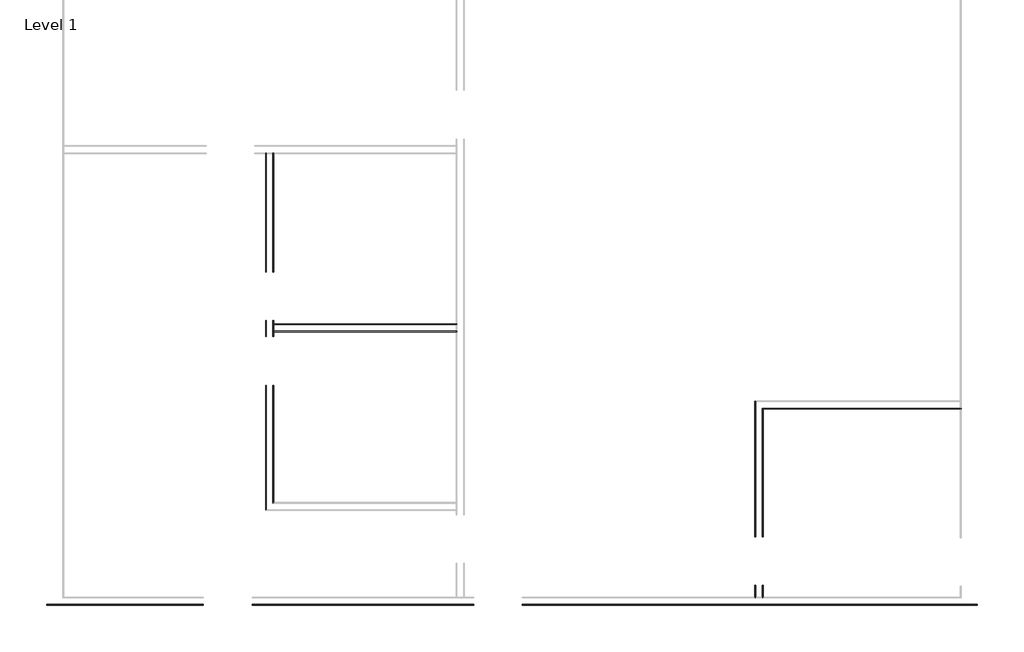
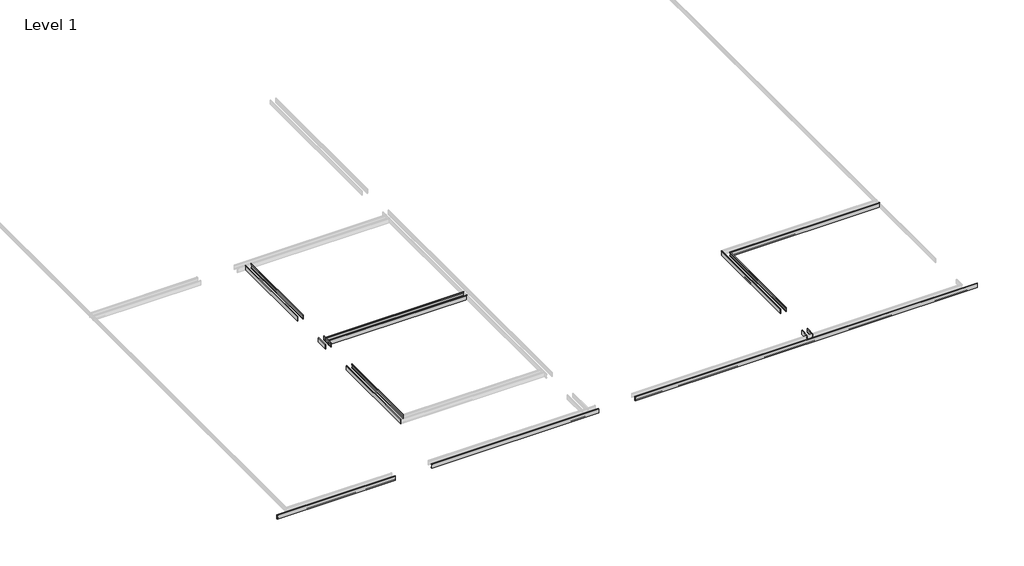
# One storey, part 32 of 51: 8 proxies.
"""IFC4 building model written with IfcOpenShell, lengths in millimetres."""

from ifc_helpers import new_model, si_unit, point, frame, frame_2d, origin, place, context, project, spatial, polyline, circle_curve, ellipse_curve, trimmed, segment, composite_curve, outline, extrude, element, save
from ifc_brep_helpers import plane_surface, cylinder_surface, advanced_brep

model = new_model("IFC4")

# Units and contexts
model_context = context("Model", 3, world=origin())
ifc_project = project(units=[si_unit("LENGTHUNIT", "METRE", prefix="MILLI")], contexts=[model_context])

# Site, building, storey
site = spatial("IfcSite", under=ifc_project)
building = spatial("IfcBuilding", under=site)
storey = spatial("IfcBuildingStorey", under=building, Name="Level 1", Elevation=0.0)

# Proxies
placement = place(None, origin())
element("IfcBuildingElementProxy", 1, Name="Wall Sweeps", at=placement, inside=storey, context=model_context, shape_type="SweptSolid", body=[
    extrude(outline(composite_curve([segment(polyline([(-17721.8801669, 22.1801656), (-17721.8801669, 0.0), (-17736.1676669, 0.0), (-17736.1676669, 104.775)]), True, "CONTINUOUS"), segment(trimmed(circle_curve(frame_2d((-17732.9926669, 104.775)), 3.175), [point((-17736.1676669, 104.775))], [point((-17732.9926669, 107.95))], False, "CARTESIAN"), True, "CONTINUOUS"), segment(polyline([(-17732.9926669, 107.95), (-17721.8801669, 107.95), (-17721.8801669, 87.5505545), (-17725.2698704, 85.828144), (-17725.2698704, 23.915644), (-17721.8801669, 22.1801656)]), True, "CONTINUOUS")], self_intersect=False)), frame((17299.465984, 0.0, 0.0), z_axis=(1.0, 0.0, 0.0), x_axis=(0.0, 1.0, 0.0)), (0.0, 0.0, 1.0), 3457.575),
])
element("IfcBuildingElementProxy", 2, Name="Wall Sweeps", at=placement, inside=storey, context=model_context, shape_type="AdvancedBrep", body=[
    advanced_brep(
    [(17175.640984, -16605.8676669, 22.1801656), (17172.2512805, -16605.8676669, 23.915644), (17172.2512805, -16605.8676669, 85.828144), (17175.640984, -16605.8676669, 87.5505545), (17175.640984, -16605.8676669, 107.95), (17164.528484, -16605.8676669, 107.95), (17161.353484, -16605.8676669, 104.775), (17161.353484, -16605.8676669, 0.0), (17175.640984, -16605.8676669, 0.0), (17175.640984, -14369.0801669, 22.1801656), (17175.640984, -14369.0801669, 0.0), (17161.353484, -14369.0801669, 0.0), (17161.353484, -14369.0801669, 104.775), (17164.528484, -14369.0801669, 107.95), (17175.640984, -14369.0801669, 107.95), (17175.640984, -14369.0801669, 87.5505545), (17172.2512805, -14369.0801669, 85.828144), (17172.2512805, -14369.0801669, 23.915644)],
    [
        (0, 1),
        (1, 2),
        (2, 3),
        (3, 4),
        (4, 5),
        (5, 6, circle_curve(frame((17164.528484, -16605.8676669, 104.775), z_axis=(0.0, -1.0, 0.0), x_axis=(-1.0, 0.0, 0.0)), 3.175)),
        (6, 7),
        (7, 8),
        (8, 0),
        (9, 10),
        (10, 11),
        (11, 12),
        (12, 13, circle_curve(frame((17164.528484, -14369.0801669, 104.775), z_axis=(0.0, 1.0, 0.0), x_axis=(-1.0, 0.0, 0.0)), 3.175)),
        (13, 14),
        (14, 15),
        (15, 16),
        (16, 17),
        (17, 9),
        (0, 9),
        (17, 1),
        (16, 2),
        (15, 3),
        (14, 4),
        (13, 5),
        (12, 6),
        (11, 7),
        (10, 8),
    ],
    [
        plane_surface(frame((17067.1205244, -16605.8676669, 0.0), z_axis=(0.0, -1.0, 0.0), x_axis=(0.0, 0.0, 1.0))),
        plane_surface(frame((17067.1205244, -14369.0801669, 0.0), z_axis=(0.0, 1.0, 0.0), x_axis=(0.0, 0.0, 1.0))),
        plane_surface(frame((17175.640984, -16605.8676669, 22.1801656), z_axis=(0.4557279043188856, 0.0, 0.8901191365346083), x_axis=(0.0, 1.0, 0.0))),
        plane_surface(frame((17172.2512805, -16605.8676669, 23.915644), z_axis=(1.0, 0.0, 0.0), x_axis=(0.0, 1.0, 0.0))),
        plane_surface(frame((17172.2512805, -16605.8676669, 85.828144), z_axis=(0.4530026868357818, 0.0, -0.8915091506650745), x_axis=(0.0, 1.0, 0.0))),
        plane_surface(frame((17175.640984, -16605.8676669, 87.5505545), z_axis=(1.0, 0.0, 0.0), x_axis=(0.0, 1.0, 0.0))),
        plane_surface(frame((17175.640984, -16605.8676669, 107.95), z_axis=(0.0, 0.0, 1.0), x_axis=(0.0, 1.0, 0.0))),
        cylinder_surface(frame((17164.528484, -16605.8676669, 104.775), z_axis=(0.0, -1.0, 0.0), x_axis=(-1.0, 0.0, 0.0)), 3.175),
        plane_surface(frame((17161.353484, -16605.8676669, 104.775), z_axis=(-1.0, 0.0, 0.0), x_axis=(0.0, 1.0, 0.0))),
        plane_surface(frame((17161.353484, -16605.8676669, 0.0), z_axis=(0.0, 0.0, -1.0), x_axis=(0.0, 1.0, 0.0))),
        plane_surface(frame((17175.640984, -16605.8676669, 0.0), z_axis=(1.0, 0.0, 0.0), x_axis=(0.0, 1.0, 0.0))),
    ],
    [
        (0, [[1, 2, 3, 4, 5, 6, 7, 8, 9]]),
        (1, [[10, 11, 12, 13, 14, 15, 16, 17, 18]]),
        (2, [[-1, 19, -18, 20]]),
        (3, [[-2, -20, -17, 21]]),
        (4, [[-3, -21, -16, 22]]),
        (5, [[-4, -22, -15, 23]]),
        (6, [[-5, -23, -14, 24]]),
        (7, [[-6, -24, -13, 25]]),
        (8, [[-7, -25, -12, 26]]),
        (9, [[-8, -26, -11, 27]]),
        (10, [[-9, -27, -10, -19]]),
    ],
),
    advanced_brep(
    [(17175.640984, -17825.0676669, 22.1801656), (17172.2512805, -17825.0676669, 23.915644), (17172.2512805, -17825.0676669, 85.828144), (17175.640984, -17825.0676669, 87.5505545), (17175.640984, -17825.0676669, 107.95), (17164.528484, -17825.0676669, 107.95), (17161.353484, -17825.0676669, 104.775), (17161.353484, -17825.0676669, 0.0), (17175.640984, -17825.0676669, 0.0), (17175.640984, -17520.2676669, 22.1801656), (17175.640984, -17520.2676669, 0.0), (17161.353484, -17520.2676669, 0.0), (17161.353484, -17520.2676669, 104.775), (17164.528484, -17520.2676669, 107.95), (17175.640984, -17520.2676669, 107.95), (17175.640984, -17520.2676669, 87.5505545), (17172.2512805, -17520.2676669, 85.828144), (17172.2512805, -17520.2676669, 23.915644)],
    [
        (0, 1),
        (1, 2),
        (2, 3),
        (3, 4),
        (4, 5),
        (5, 6, circle_curve(frame((17164.528484, -17825.0676669, 104.775), z_axis=(0.0, -1.0, 0.0), x_axis=(-1.0, 0.0, 0.0)), 3.175)),
        (6, 7),
        (7, 8),
        (8, 0),
        (9, 10),
        (10, 11),
        (11, 12),
        (12, 13, circle_curve(frame((17164.528484, -17520.2676669, 104.775), z_axis=(0.0, 1.0, 0.0), x_axis=(-1.0, 0.0, 0.0)), 3.175)),
        (13, 14),
        (14, 15),
        (15, 16),
        (16, 17),
        (17, 9),
        (0, 9),
        (17, 1),
        (16, 2),
        (15, 3),
        (14, 4),
        (13, 5),
        (12, 6),
        (11, 7),
        (10, 8),
    ],
    [
        plane_surface(frame((17067.1205244, -17825.0676669, 0.0), z_axis=(0.0, -1.0, 0.0), x_axis=(0.0, 0.0, 1.0))),
        plane_surface(frame((17067.1205244, -17520.2676669, 0.0), z_axis=(0.0, 1.0, 0.0), x_axis=(0.0, 0.0, 1.0))),
        plane_surface(frame((17175.640984, -17825.0676669, 22.1801656), z_axis=(0.4557279043188856, 0.0, 0.8901191365346083), x_axis=(0.0, 1.0, 0.0))),
        plane_surface(frame((17172.2512805, -17825.0676669, 23.915644), z_axis=(1.0, 0.0, 0.0), x_axis=(0.0, 1.0, 0.0))),
        plane_surface(frame((17172.2512805, -17825.0676669, 85.828144), z_axis=(0.4530026868357818, 0.0, -0.8915091506650745), x_axis=(0.0, 1.0, 0.0))),
        plane_surface(frame((17175.640984, -17825.0676669, 87.5505545), z_axis=(1.0, 0.0, 0.0), x_axis=(0.0, 1.0, 0.0))),
        plane_surface(frame((17175.640984, -17825.0676669, 107.95), z_axis=(0.0, 0.0, 1.0), x_axis=(0.0, 1.0, 0.0))),
        cylinder_surface(frame((17164.528484, -17825.0676669, 104.775), z_axis=(0.0, -1.0, 0.0), x_axis=(-1.0, 0.0, 0.0)), 3.175),
        plane_surface(frame((17161.353484, -17825.0676669, 104.775), z_axis=(-1.0, 0.0, 0.0), x_axis=(0.0, 1.0, 0.0))),
        plane_surface(frame((17161.353484, -17825.0676669, 0.0), z_axis=(0.0, 0.0, -1.0), x_axis=(0.0, 1.0, 0.0))),
        plane_surface(frame((17175.640984, -17825.0676669, 0.0), z_axis=(1.0, 0.0, 0.0), x_axis=(0.0, 1.0, 0.0))),
    ],
    [
        (0, [[1, 2, 3, 4, 5, 6, 7, 8, 9]]),
        (1, [[10, 11, 12, 13, 14, 15, 16, 17, 18]]),
        (2, [[-1, 19, -18, 20]]),
        (3, [[-2, -20, -17, 21]]),
        (4, [[-3, -21, -16, 22]]),
        (5, [[-4, -22, -15, 23]]),
        (6, [[-5, -23, -14, 24]]),
        (7, [[-6, -24, -13, 25]]),
        (8, [[-7, -25, -12, 26]]),
        (9, [[-8, -26, -11, 27]]),
        (10, [[-9, -27, -10, -19]]),
    ],
),
    advanced_brep(
    [(17175.640984, -21079.4426669, 22.1801656), (17172.2512805, -21082.8323704, 23.915644), (17172.2512805, -21082.8323704, 85.828144), (17175.640984, -21079.4426669, 87.5505545), (17175.640984, -21079.4426669, 107.95), (17164.528484, -21090.5551669, 107.95), (17161.353484, -21093.7301669, 104.775), (17161.353484, -21093.7301669, 0.0), (17175.640984, -21079.4426669, 0.0), (17175.640984, -18739.4676669, 22.1801656), (17175.640984, -18739.4676669, 0.0), (17161.353484, -18739.4676669, 0.0), (17161.353484, -18739.4676669, 104.775), (17164.528484, -18739.4676669, 107.95), (17175.640984, -18739.4676669, 107.95), (17175.640984, -18739.4676669, 87.5505545), (17172.2512805, -18739.4676669, 85.828144), (17172.2512805, -18739.4676669, 23.915644)],
    [
        (0, 1),
        (1, 2),
        (2, 3),
        (3, 4),
        (4, 5),
        (5, 6, ellipse_curve(frame((17164.528484, -21090.5551669, 104.775), z_axis=(0.7071067811865511, -0.707106781186544, 0.0), x_axis=(-0.7071067811865441, -0.7071067811865509, 0.0)), 4.4901281, 3.175)),
        (6, 7),
        (7, 8),
        (8, 0),
        (9, 10),
        (10, 11),
        (11, 12),
        (12, 13, circle_curve(frame((17164.528484, -18739.4676669, 104.775), z_axis=(0.0, 1.0, 0.0), x_axis=(-1.0, 0.0, 0.0)), 3.175)),
        (13, 14),
        (14, 15),
        (15, 16),
        (16, 17),
        (17, 9),
        (0, 9),
        (17, 1),
        (16, 2),
        (15, 3),
        (14, 4),
        (13, 5),
        (12, 6),
        (11, 7),
        (10, 8),
    ],
    [
        plane_surface(frame((17175.640984, -21079.4426669, 304.8), z_axis=(0.7071067811865511, -0.707106781186544, 0.0), x_axis=(0.707106781186544, 0.7071067811865511, 0.0))),
        plane_surface(frame((17067.1205244, -18739.4676669, 0.0), z_axis=(0.0, 1.0, 0.0), x_axis=(0.0, 0.0, 1.0))),
        plane_surface(frame((17175.640984, -21079.4426669, 22.1801656), z_axis=(0.4557279043188856, 0.0, 0.8901191365346083), x_axis=(0.0, 1.0, 0.0))),
        plane_surface(frame((17172.2512805, -21082.8323704, 23.915644), z_axis=(1.0, 0.0, 0.0), x_axis=(0.0, 1.0, 0.0))),
        plane_surface(frame((17172.2512805, -21082.8323704, 85.828144), z_axis=(0.4530026868357818, 0.0, -0.8915091506650745), x_axis=(0.0, 1.0, 0.0))),
        plane_surface(frame((17175.640984, -21079.4426669, 87.5505545), z_axis=(1.0, 0.0, 0.0), x_axis=(0.0, 1.0, 0.0))),
        plane_surface(frame((17175.640984, -21079.4426669, 107.95), z_axis=(0.0, 0.0, 1.0), x_axis=(0.0, 1.0, 0.0))),
        cylinder_surface(frame((17164.528484, -21079.4426669, 104.775), z_axis=(0.0, -1.0, 0.0), x_axis=(-1.0, 0.0, 0.0)), 3.175),
        plane_surface(frame((17161.353484, -21093.7301669, 104.775), z_axis=(-1.0, 0.0, 0.0), x_axis=(0.0, 1.0, 0.0))),
        plane_surface(frame((17161.353484, -21093.7301669, 0.0), z_axis=(0.0, 0.0, -1.0), x_axis=(0.0, 1.0, 0.0))),
        plane_surface(frame((17175.640984, -21079.4426669, 0.0), z_axis=(1.0, 0.0, 0.0), x_axis=(0.0, 1.0, 0.0))),
    ],
    [
        (0, [[1, 2, 3, 4, 5, 6, 7, 8, 9]]),
        (1, [[10, 11, 12, 13, 14, 15, 16, 17, 18]]),
        (2, [[-1, 19, -18, 20]]),
        (3, [[-2, -20, -17, 21]]),
        (4, [[-3, -21, -16, 22]]),
        (5, [[-4, -22, -15, 23]]),
        (6, [[-5, -23, -14, 24]]),
        (7, [[-6, -24, -13, 25]]),
        (8, [[-7, -25, -12, 26]]),
        (9, [[-8, -26, -11, 27]]),
        (10, [[-9, -27, -10, -19]]),
    ],
),
])
element("IfcBuildingElementProxy", 3, Name="Wall Sweeps", at=placement, inside=storey, context=model_context, shape_type="SweptSolid", body=[
    extrude(outline(composite_curve([segment(polyline([(-17598.0551669, 22.1801656), (-17594.6654634, 23.915644), (-17594.6654634, 85.828144), (-17598.0551669, 87.5505545), (-17598.0551669, 107.95), (-17586.9426669, 107.95)]), True, "CONTINUOUS"), segment(trimmed(circle_curve(frame_2d((-17586.9426669, 104.775)), 3.175), [point((-17586.9426669, 107.95))], [point((-17583.7676669, 104.775))], False, "CARTESIAN"), True, "CONTINUOUS"), segment(polyline([(-17583.7676669, 104.775), (-17583.7676669, 0.0), (-17598.0551669, 0.0), (-17598.0551669, 22.1801656)]), True, "CONTINUOUS")], self_intersect=False)), frame((17299.465984, 0.0, 0.0), z_axis=(1.0, 0.0, 0.0), x_axis=(0.0, 1.0, 0.0)), (0.0, 0.0, 1.0), 3457.575),
])
element("IfcBuildingElementProxy", 4, Name="Wall Sweeps", at=placement, inside=storey, context=model_context, shape_type="AdvancedBrep", body=[
    advanced_brep(
    [(17299.465984, -20955.6176669, 22.1801656), (17299.465984, -20955.6176669, 0.0), (17313.753484, -20941.3301669, 0.0), (17313.753484, -20941.3301669, 104.775), (17310.578484, -20944.5051669, 107.95), (17299.465984, -20955.6176669, 107.95), (17299.465984, -20955.6176669, 87.5505545), (17302.8556875, -20952.2279634, 85.828144), (17302.8556875, -20952.2279634, 23.915644), (17299.465984, -18739.4676669, 22.1801656), (17302.8556875, -18739.4676669, 23.915644), (17302.8556875, -18739.4676669, 85.828144), (17299.465984, -18739.4676669, 87.5505545), (17299.465984, -18739.4676669, 107.95), (17310.578484, -18739.4676669, 107.95), (17313.753484, -18739.4676669, 104.775), (17313.753484, -18739.4676669, 0.0), (17299.465984, -18739.4676669, 0.0)],
    [
        (0, 1),
        (1, 2),
        (2, 3),
        (3, 4, ellipse_curve(frame((17310.578484, -20944.5051669, 104.775), z_axis=(0.7071067811865511, -0.707106781186544, 0.0), x_axis=(-0.7071067811865441, -0.7071067811865509, 0.0)), 4.4901281, 3.175)),
        (4, 5),
        (5, 6),
        (6, 7),
        (7, 8),
        (8, 0),
        (9, 10),
        (10, 11),
        (11, 12),
        (12, 13),
        (13, 14),
        (14, 15, circle_curve(frame((17310.578484, -18739.4676669, 104.775), z_axis=(0.0, 1.0, 0.0), x_axis=(1.0, 0.0, 0.0)), 3.175)),
        (15, 16),
        (16, 17),
        (17, 9),
        (0, 9),
        (17, 1),
        (16, 2),
        (15, 3),
        (14, 4),
        (13, 5),
        (12, 6),
        (11, 7),
        (10, 8),
    ],
    [
        plane_surface(frame((17299.465984, -20955.6176669, 304.8), z_axis=(0.7071067811865511, -0.707106781186544, 0.0), x_axis=(0.707106781186544, 0.7071067811865511, 0.0))),
        plane_surface(frame((17190.9455244, -18739.4676669, 0.0), z_axis=(0.0, 1.0, 0.0), x_axis=(0.0, 0.0, 1.0))),
        plane_surface(frame((17299.465984, -20955.6176669, 22.1801656), z_axis=(-1.0, 0.0, 0.0), x_axis=(0.0, 1.0, 0.0))),
        plane_surface(frame((17299.465984, -20955.6176669, 0.0), z_axis=(0.0, 0.0, -1.0), x_axis=(0.0, 1.0, 0.0))),
        plane_surface(frame((17313.753484, -20941.3301669, 0.0), z_axis=(1.0, 0.0, 0.0), x_axis=(0.0, 1.0, 0.0))),
        cylinder_surface(frame((17310.578484, -20955.6176669, 104.775), z_axis=(0.0, -1.0, 0.0), x_axis=(1.0, 0.0, 0.0)), 3.175),
        plane_surface(frame((17310.578484, -20944.5051669, 107.95), z_axis=(0.0, 0.0, 1.0), x_axis=(0.0, 1.0, 0.0))),
        plane_surface(frame((17299.465984, -20955.6176669, 107.95), z_axis=(-1.0, 0.0, 0.0), x_axis=(0.0, 1.0, 0.0))),
        plane_surface(frame((17299.465984, -20955.6176669, 87.5505545), z_axis=(-0.4530026868357818, 0.0, -0.8915091506650745), x_axis=(0.0, 1.0, 0.0))),
        plane_surface(frame((17302.8556875, -20952.2279634, 85.828144), z_axis=(-1.0, 0.0, 0.0), x_axis=(0.0, 1.0, 0.0))),
        plane_surface(frame((17302.8556875, -20952.2279634, 23.915644), z_axis=(-0.4557279043188856, 0.0, 0.8901191365346083), x_axis=(0.0, 1.0, 0.0))),
    ],
    [
        (0, [[1, 2, 3, 4, 5, 6, 7, 8, 9]]),
        (1, [[10, 11, 12, 13, 14, 15, 16, 17, 18]]),
        (2, [[-1, 19, -18, 20]]),
        (3, [[-2, -20, -17, 21]]),
        (4, [[-3, -21, -16, 22]]),
        (5, [[-4, -22, -15, 23]]),
        (6, [[-5, -23, -14, 24]]),
        (7, [[-6, -24, -13, 25]]),
        (8, [[-7, -25, -12, 26]]),
        (9, [[-8, -26, -11, 27]]),
        (10, [[-9, -27, -10, -19]]),
    ],
),
    advanced_brep(
    [(17299.465984, -17825.0676669, 22.1801656), (17299.465984, -17825.0676669, 0.0), (17313.753484, -17825.0676669, 0.0), (17313.753484, -17825.0676669, 104.775), (17310.578484, -17825.0676669, 107.95), (17299.465984, -17825.0676669, 107.95), (17299.465984, -17825.0676669, 87.5505545), (17302.8556875, -17825.0676669, 85.828144), (17302.8556875, -17825.0676669, 23.915644), (17299.465984, -17520.2676669, 22.1801656), (17302.8556875, -17520.2676669, 23.915644), (17302.8556875, -17520.2676669, 85.828144), (17299.465984, -17520.2676669, 87.5505545), (17299.465984, -17520.2676669, 107.95), (17310.578484, -17520.2676669, 107.95), (17313.753484, -17520.2676669, 104.775), (17313.753484, -17520.2676669, 0.0), (17299.465984, -17520.2676669, 0.0)],
    [
        (0, 1),
        (1, 2),
        (2, 3),
        (3, 4, circle_curve(frame((17310.578484, -17825.0676669, 104.775), z_axis=(0.0, -1.0, 0.0), x_axis=(1.0, 0.0, 0.0)), 3.175)),
        (4, 5),
        (5, 6),
        (6, 7),
        (7, 8),
        (8, 0),
        (9, 10),
        (10, 11),
        (11, 12),
        (12, 13),
        (13, 14),
        (14, 15, circle_curve(frame((17310.578484, -17520.2676669, 104.775), z_axis=(0.0, 1.0, 0.0), x_axis=(1.0, 0.0, 0.0)), 3.175)),
        (15, 16),
        (16, 17),
        (17, 9),
        (0, 9),
        (17, 1),
        (16, 2),
        (15, 3),
        (14, 4),
        (13, 5),
        (12, 6),
        (11, 7),
        (10, 8),
    ],
    [
        plane_surface(frame((17190.9455244, -17825.0676669, 0.0), z_axis=(0.0, -1.0, 0.0), x_axis=(0.0, 0.0, 1.0))),
        plane_surface(frame((17190.9455244, -17520.2676669, 0.0), z_axis=(0.0, 1.0, 0.0), x_axis=(0.0, 0.0, 1.0))),
        plane_surface(frame((17299.465984, -17825.0676669, 22.1801656), z_axis=(-1.0, 0.0, 0.0), x_axis=(0.0, 1.0, 0.0))),
        plane_surface(frame((17299.465984, -17825.0676669, 0.0), z_axis=(0.0, 0.0, -1.0), x_axis=(0.0, 1.0, 0.0))),
        plane_surface(frame((17313.753484, -17825.0676669, 0.0), z_axis=(1.0, 0.0, 0.0), x_axis=(0.0, 1.0, 0.0))),
        cylinder_surface(frame((17310.578484, -17825.0676669, 104.775), z_axis=(0.0, -1.0, 0.0), x_axis=(1.0, 0.0, 0.0)), 3.175),
        plane_surface(frame((17310.578484, -17825.0676669, 107.95), z_axis=(0.0, 0.0, 1.0), x_axis=(0.0, 1.0, 0.0))),
        plane_surface(frame((17299.465984, -17825.0676669, 107.95), z_axis=(-1.0, 0.0, 0.0), x_axis=(0.0, 1.0, 0.0))),
        plane_surface(frame((17299.465984, -17825.0676669, 87.5505545), z_axis=(-0.4530026868357818, 0.0, -0.8915091506650745), x_axis=(0.0, 1.0, 0.0))),
        plane_surface(frame((17302.8556875, -17825.0676669, 85.828144), z_axis=(-1.0, 0.0, 0.0), x_axis=(0.0, 1.0, 0.0))),
        plane_surface(frame((17302.8556875, -17825.0676669, 23.915644), z_axis=(-0.4557279043188856, 0.0, 0.8901191365346083), x_axis=(0.0, 1.0, 0.0))),
    ],
    [
        (0, [[1, 2, 3, 4, 5, 6, 7, 8, 9]]),
        (1, [[10, 11, 12, 13, 14, 15, 16, 17, 18]]),
        (2, [[-1, 19, -18, 20]]),
        (3, [[-2, -20, -17, 21]]),
        (4, [[-3, -21, -16, 22]]),
        (5, [[-4, -22, -15, 23]]),
        (6, [[-5, -23, -14, 24]]),
        (7, [[-6, -24, -13, 25]]),
        (8, [[-7, -25, -12, 26]]),
        (9, [[-8, -26, -11, 27]]),
        (10, [[-9, -27, -10, -19]]),
    ],
),
    advanced_brep(
    [(17299.465984, -16605.8676669, 22.1801656), (17299.465984, -16605.8676669, 0.0), (17313.753484, -16605.8676669, 0.0), (17313.753484, -16605.8676669, 104.775), (17310.578484, -16605.8676669, 107.95), (17299.465984, -16605.8676669, 107.95), (17299.465984, -16605.8676669, 87.5505545), (17302.8556875, -16605.8676669, 85.828144), (17302.8556875, -16605.8676669, 23.915644), (17299.465984, -14369.0801669, 22.1801656), (17302.8556875, -14369.0801669, 23.915644), (17302.8556875, -14369.0801669, 85.828144), (17299.465984, -14369.0801669, 87.5505545), (17299.465984, -14369.0801669, 107.95), (17310.578484, -14369.0801669, 107.95), (17313.753484, -14369.0801669, 104.775), (17313.753484, -14369.0801669, 0.0), (17299.465984, -14369.0801669, 0.0)],
    [
        (0, 1),
        (1, 2),
        (2, 3),
        (3, 4, circle_curve(frame((17310.578484, -16605.8676669, 104.775), z_axis=(0.0, -1.0, 0.0), x_axis=(1.0, 0.0, 0.0)), 3.175)),
        (4, 5),
        (5, 6),
        (6, 7),
        (7, 8),
        (8, 0),
        (9, 10),
        (10, 11),
        (11, 12),
        (12, 13),
        (13, 14),
        (14, 15, circle_curve(frame((17310.578484, -14369.0801669, 104.775), z_axis=(0.0, 1.0, 0.0), x_axis=(1.0, 0.0, 0.0)), 3.175)),
        (15, 16),
        (16, 17),
        (17, 9),
        (0, 9),
        (17, 1),
        (16, 2),
        (15, 3),
        (14, 4),
        (13, 5),
        (12, 6),
        (11, 7),
        (10, 8),
    ],
    [
        plane_surface(frame((17190.9455244, -16605.8676669, 0.0), z_axis=(0.0, -1.0, 0.0), x_axis=(0.0, 0.0, 1.0))),
        plane_surface(frame((17190.9455244, -14369.0801669, 0.0), z_axis=(0.0, 1.0, 0.0), x_axis=(0.0, 0.0, 1.0))),
        plane_surface(frame((17299.465984, -16605.8676669, 22.1801656), z_axis=(-1.0, 0.0, 0.0), x_axis=(0.0, 1.0, 0.0))),
        plane_surface(frame((17299.465984, -16605.8676669, 0.0), z_axis=(0.0, 0.0, -1.0), x_axis=(0.0, 1.0, 0.0))),
        plane_surface(frame((17313.753484, -16605.8676669, 0.0), z_axis=(1.0, 0.0, 0.0), x_axis=(0.0, 1.0, 0.0))),
        cylinder_surface(frame((17310.578484, -16605.8676669, 104.775), z_axis=(0.0, -1.0, 0.0), x_axis=(1.0, 0.0, 0.0)), 3.175),
        plane_surface(frame((17310.578484, -16605.8676669, 107.95), z_axis=(0.0, 0.0, 1.0), x_axis=(0.0, 1.0, 0.0))),
        plane_surface(frame((17299.465984, -16605.8676669, 107.95), z_axis=(-1.0, 0.0, 0.0), x_axis=(0.0, 1.0, 0.0))),
        plane_surface(frame((17299.465984, -16605.8676669, 87.5505545), z_axis=(-0.4530026868357818, 0.0, -0.8915091506650745), x_axis=(0.0, 1.0, 0.0))),
        plane_surface(frame((17302.8556875, -16605.8676669, 85.828144), z_axis=(-1.0, 0.0, 0.0), x_axis=(0.0, 1.0, 0.0))),
        plane_surface(frame((17302.8556875, -16605.8676669, 23.915644), z_axis=(-0.4557279043188856, 0.0, 0.8901191365346083), x_axis=(0.0, 1.0, 0.0))),
    ],
    [
        (0, [[1, 2, 3, 4, 5, 6, 7, 8, 9]]),
        (1, [[10, 11, 12, 13, 14, 15, 16, 17, 18]]),
        (2, [[-1, 19, -18, 20]]),
        (3, [[-2, -20, -17, 21]]),
        (4, [[-3, -21, -16, 22]]),
        (5, [[-4, -22, -15, 23]]),
        (6, [[-5, -23, -14, 24]]),
        (7, [[-6, -24, -13, 25]]),
        (8, [[-7, -25, -12, 26]]),
        (9, [[-8, -26, -11, 27]]),
        (10, [[-9, -27, -10, -19]]),
    ],
),
])
element("IfcBuildingElementProxy", 5, Name="Wall Sweeps", at=placement, inside=storey, context=model_context, shape_type="AdvancedBrep", body=[
    advanced_brep(
    [(30229.653484, -19168.9998098, 22.1801656), (30229.653484, -19172.3895132, 23.915644), (30229.653484, -19172.3895132, 85.828144), (30229.653484, -19168.9998098, 87.5505545), (30229.653484, -19168.9998098, 107.95), (30229.653484, -19180.1123098, 107.95), (30229.653484, -19183.2873098, 104.775), (30229.653484, -19183.2873098, 0.0), (30229.653484, -19168.9998098, 0.0), (26492.678484, -19168.9998098, 22.1801656), (26492.678484, -19168.9998098, 0.0), (26506.965984, -19183.2873098, 0.0), (26506.965984, -19183.2873098, 104.775), (26503.790984, -19180.1123098, 107.95), (26492.678484, -19168.9998098, 107.95), (26492.678484, -19168.9998098, 87.5505545), (26496.0681875, -19172.3895132, 85.828144), (26496.0681875, -19172.3895132, 23.915644)],
    [
        (0, 1),
        (1, 2),
        (2, 3),
        (3, 4),
        (4, 5),
        (5, 6, circle_curve(frame((30229.653484, -19180.1123098, 104.775), z_axis=(1.0, 0.0, 0.0), x_axis=(0.0, -1.0, 0.0)), 3.175)),
        (6, 7),
        (7, 8),
        (8, 0),
        (9, 10),
        (10, 11),
        (11, 12),
        (12, 13, ellipse_curve(frame((26503.790984, -19180.1123098, 104.775), z_axis=(-0.7071067811865511, -0.707106781186544, 0.0), x_axis=(0.7071067811865439, -0.7071067811865512, 0.0)), 4.4901281, 3.175)),
        (13, 14),
        (14, 15),
        (15, 16),
        (16, 17),
        (17, 9),
        (0, 9),
        (17, 1),
        (16, 2),
        (15, 3),
        (14, 4),
        (13, 5),
        (12, 6),
        (11, 7),
        (10, 8),
    ],
    [
        plane_surface(frame((30229.653484, -19168.9998098, -108.5204596), z_axis=(1.0, 0.0, 0.0), x_axis=(0.0, -1.0, 0.0))),
        plane_surface(frame((26492.678484, -19168.9998098, -304.8), z_axis=(-0.7071067811865511, -0.707106781186544, 0.0), x_axis=(0.707106781186544, -0.7071067811865511, 0.0))),
        plane_surface(frame((30229.653484, -19168.9998098, 22.1801656), z_axis=(0.0, 0.4557279043188856, 0.8901191365346083), x_axis=(-1.0, 0.0, 0.0))),
        plane_surface(frame((30229.653484, -19172.3895132, 23.915644), z_axis=(0.0, 1.0, 0.0), x_axis=(-1.0, 0.0, 0.0))),
        plane_surface(frame((30229.653484, -19172.3895132, 85.828144), z_axis=(0.0, 0.4530026868357818, -0.8915091506650745), x_axis=(-1.0, 0.0, 0.0))),
        plane_surface(frame((30229.653484, -19168.9998098, 87.5505545), z_axis=(0.0, 1.0, 0.0), x_axis=(-1.0, 0.0, 0.0))),
        plane_surface(frame((30229.653484, -19168.9998098, 107.95), z_axis=(0.0, 0.0, 1.0), x_axis=(-1.0, 0.0, 0.0))),
        cylinder_surface(frame((30229.653484, -19180.1123098, 104.775), z_axis=(1.0, 0.0, 0.0), x_axis=(0.0, -1.0, 0.0)), 3.175),
        plane_surface(frame((30229.653484, -19183.2873098, 104.775), z_axis=(0.0, -1.0, 0.0), x_axis=(-1.0, 0.0, 0.0))),
        plane_surface(frame((30229.653484, -19183.2873098, 0.0), z_axis=(0.0, 0.0, -1.0), x_axis=(-1.0, 0.0, 0.0))),
        plane_surface(frame((30229.653484, -19168.9998098, 0.0), z_axis=(0.0, 1.0, 0.0), x_axis=(-1.0, 0.0, 0.0))),
    ],
    [
        (0, [[1, 2, 3, 4, 5, 6, 7, 8, 9]]),
        (1, [[10, 11, 12, 13, 14, 15, 16, 17, 18]]),
        (2, [[-1, 19, -18, 20]]),
        (3, [[-2, -20, -17, 21]]),
        (4, [[-3, -21, -16, 22]]),
        (5, [[-4, -22, -15, 23]]),
        (6, [[-5, -23, -14, 24]]),
        (7, [[-6, -24, -13, 25]]),
        (8, [[-7, -25, -12, 26]]),
        (9, [[-8, -26, -11, 27]]),
        (10, [[-9, -27, -10, -19]]),
    ],
),
])
element("IfcBuildingElementProxy", 6, Name="Wall Sweeps", at=placement, inside=storey, context=model_context, shape_type="AdvancedBrep", body=[
    advanced_brep(
    [(26492.678484, -22501.8426669, 22.1801656), (26496.0681875, -22501.8426669, 23.915644), (26496.0681875, -22501.8426669, 85.828144), (26492.678484, -22501.8426669, 87.5505545), (26492.678484, -22501.8426669, 107.95), (26503.790984, -22501.8426669, 107.95), (26506.965984, -22501.8426669, 104.775), (26506.965984, -22501.8426669, 0.0), (26492.678484, -22501.8426669, 0.0), (26492.678484, -22733.6176669, 22.1801656), (26492.678484, -22733.6176669, 0.0), (26506.965984, -22733.6176669, 0.0), (26506.965984, -22733.6176669, 104.775), (26503.790984, -22733.6176669, 107.95), (26492.678484, -22733.6176669, 107.95), (26492.678484, -22733.6176669, 87.5505545), (26496.0681875, -22733.6176669, 85.828144), (26496.0681875, -22733.6176669, 23.915644)],
    [
        (0, 1),
        (1, 2),
        (2, 3),
        (3, 4),
        (4, 5),
        (5, 6, circle_curve(frame((26503.790984, -22501.8426669, 104.775), z_axis=(0.0, 1.0, 0.0), x_axis=(1.0, 0.0, 0.0)), 3.175)),
        (6, 7),
        (7, 8),
        (8, 0),
        (9, 10),
        (10, 11),
        (11, 12),
        (12, 13, circle_curve(frame((26503.790984, -22733.6176669, 104.775), z_axis=(0.0, -1.0, 0.0), x_axis=(1.0, 0.0, 0.0)), 3.175)),
        (13, 14),
        (14, 15),
        (15, 16),
        (16, 17),
        (17, 9),
        (0, 9),
        (17, 1),
        (16, 2),
        (15, 3),
        (14, 4),
        (13, 5),
        (12, 6),
        (11, 7),
        (10, 8),
    ],
    [
        plane_surface(frame((26384.1580244, -22501.8426669, 0.0), z_axis=(0.0, 1.0, 0.0), x_axis=(0.0, 0.0, -1.0))),
        plane_surface(frame((26384.1580244, -22733.6176669, 0.0), z_axis=(0.0, -1.0, 0.0), x_axis=(0.0, 0.0, -1.0))),
        plane_surface(frame((26492.678484, -22501.8426669, 22.1801656), z_axis=(-0.4557279043188856, 0.0, 0.8901191365346083), x_axis=(0.0, -1.0, 0.0))),
        plane_surface(frame((26496.0681875, -22501.8426669, 23.915644), z_axis=(-1.0, 0.0, 0.0), x_axis=(0.0, -1.0, 0.0))),
        plane_surface(frame((26496.0681875, -22501.8426669, 85.828144), z_axis=(-0.4530026868357818, 0.0, -0.8915091506650745), x_axis=(0.0, -1.0, 0.0))),
        plane_surface(frame((26492.678484, -22501.8426669, 87.5505545), z_axis=(-1.0, 0.0, 0.0), x_axis=(0.0, -1.0, 0.0))),
        plane_surface(frame((26492.678484, -22501.8426669, 107.95), z_axis=(0.0, 0.0, 1.0), x_axis=(0.0, -1.0, 0.0))),
        cylinder_surface(frame((26503.790984, -22501.8426669, 104.775), z_axis=(0.0, 1.0, 0.0), x_axis=(1.0, 0.0, 0.0)), 3.175),
        plane_surface(frame((26506.965984, -22501.8426669, 104.775), z_axis=(1.0, 0.0, 0.0), x_axis=(0.0, -1.0, 0.0))),
        plane_surface(frame((26506.965984, -22501.8426669, 0.0), z_axis=(0.0, 0.0, -1.0), x_axis=(0.0, -1.0, 0.0))),
        plane_surface(frame((26492.678484, -22501.8426669, 0.0), z_axis=(-1.0, 0.0, 0.0), x_axis=(0.0, -1.0, 0.0))),
    ],
    [
        (0, [[1, 2, 3, 4, 5, 6, 7, 8, 9]]),
        (1, [[10, 11, 12, 13, 14, 15, 16, 17, 18]]),
        (2, [[-1, 19, -18, 20]]),
        (3, [[-2, -20, -17, 21]]),
        (4, [[-3, -21, -16, 22]]),
        (5, [[-4, -22, -15, 23]]),
        (6, [[-5, -23, -14, 24]]),
        (7, [[-6, -24, -13, 25]]),
        (8, [[-7, -25, -12, 26]]),
        (9, [[-8, -26, -11, 27]]),
        (10, [[-9, -27, -10, -19]]),
    ],
),
    advanced_brep(
    [(26492.678484, -19168.9998098, 22.1801656), (26496.0681875, -19172.3895132, 23.915644), (26496.0681875, -19172.3895132, 85.828144), (26492.678484, -19168.9998098, 87.5505545), (26492.678484, -19168.9998098, 107.95), (26503.790984, -19180.1123098, 107.95), (26506.965984, -19183.2873098, 104.775), (26506.965984, -19183.2873098, 0.0), (26492.678484, -19168.9998098, 0.0), (26492.678484, -21587.4426669, 22.1801656), (26492.678484, -21587.4426669, 0.0), (26506.965984, -21587.4426669, 0.0), (26506.965984, -21587.4426669, 104.775), (26503.790984, -21587.4426669, 107.95), (26492.678484, -21587.4426669, 107.95), (26492.678484, -21587.4426669, 87.5505545), (26496.0681875, -21587.4426669, 85.828144), (26496.0681875, -21587.4426669, 23.915644)],
    [
        (0, 1),
        (1, 2),
        (2, 3),
        (3, 4),
        (4, 5),
        (5, 6, ellipse_curve(frame((26503.790984, -19180.1123098, 104.775), z_axis=(0.7071067811865511, 0.707106781186544, 0.0), x_axis=(-0.7071067811865441, 0.707106781186551, 0.0)), 4.4901281, 3.175)),
        (6, 7),
        (7, 8),
        (8, 0),
        (9, 10),
        (10, 11),
        (11, 12),
        (12, 13, circle_curve(frame((26503.790984, -21587.4426669, 104.775), z_axis=(0.0, -1.0, 0.0), x_axis=(1.0, 0.0, 0.0)), 3.175)),
        (13, 14),
        (14, 15),
        (15, 16),
        (16, 17),
        (17, 9),
        (0, 9),
        (17, 1),
        (16, 2),
        (15, 3),
        (14, 4),
        (13, 5),
        (12, 6),
        (11, 7),
        (10, 8),
    ],
    [
        plane_surface(frame((26492.678484, -19168.9998098, -304.8), z_axis=(0.7071067811865511, 0.707106781186544, 0.0), x_axis=(0.707106781186544, -0.7071067811865511, 0.0))),
        plane_surface(frame((26384.1580244, -21587.4426669, 0.0), z_axis=(0.0, -1.0, 0.0), x_axis=(0.0, 0.0, -1.0))),
        plane_surface(frame((26492.678484, -19168.9998098, 22.1801656), z_axis=(-0.4557279043188856, 0.0, 0.8901191365346083), x_axis=(0.0, -1.0, 0.0))),
        plane_surface(frame((26496.0681875, -19172.3895132, 23.915644), z_axis=(-1.0, 0.0, 0.0), x_axis=(0.0, -1.0, 0.0))),
        plane_surface(frame((26496.0681875, -19172.3895132, 85.828144), z_axis=(-0.4530026868357818, 0.0, -0.8915091506650745), x_axis=(0.0, -1.0, 0.0))),
        plane_surface(frame((26492.678484, -19168.9998098, 87.5505545), z_axis=(-1.0, 0.0, 0.0), x_axis=(0.0, -1.0, 0.0))),
        plane_surface(frame((26492.678484, -19168.9998098, 107.95), z_axis=(0.0, 0.0, 1.0), x_axis=(0.0, -1.0, 0.0))),
        cylinder_surface(frame((26503.790984, -19168.9998098, 104.775), z_axis=(0.0, 1.0, 0.0), x_axis=(1.0, 0.0, 0.0)), 3.175),
        plane_surface(frame((26506.965984, -19183.2873098, 104.775), z_axis=(1.0, 0.0, 0.0), x_axis=(0.0, -1.0, 0.0))),
        plane_surface(frame((26506.965984, -19183.2873098, 0.0), z_axis=(0.0, 0.0, -1.0), x_axis=(0.0, -1.0, 0.0))),
        plane_surface(frame((26492.678484, -19168.9998098, 0.0), z_axis=(-1.0, 0.0, 0.0), x_axis=(0.0, -1.0, 0.0))),
    ],
    [
        (0, [[1, 2, 3, 4, 5, 6, 7, 8, 9]]),
        (1, [[10, 11, 12, 13, 14, 15, 16, 17, 18]]),
        (2, [[-1, 19, -18, 20]]),
        (3, [[-2, -20, -17, 21]]),
        (4, [[-3, -21, -16, 22]]),
        (5, [[-4, -22, -15, 23]]),
        (6, [[-5, -23, -14, 24]]),
        (7, [[-6, -24, -13, 25]]),
        (8, [[-7, -25, -12, 26]]),
        (9, [[-8, -26, -11, 27]]),
        (10, [[-9, -27, -10, -19]]),
    ],
),
])
element("IfcBuildingElementProxy", 7, Name="Wall Sweeps", at=placement, inside=storey, context=model_context, shape_type="AdvancedBrep", body=[
    advanced_brep(
    [(26368.853484, -19045.1748098, 22.1801656), (26368.853484, -19045.1748098, 0.0), (26354.565984, -19030.8873098, 0.0), (26354.565984, -19030.8873098, 104.775), (26357.740984, -19034.0623098, 107.95), (26368.853484, -19045.1748098, 107.95), (26368.853484, -19045.1748098, 87.5505545), (26365.4637805, -19041.7851063, 85.828144), (26365.4637805, -19041.7851063, 23.915644), (26368.853484, -21587.4426669, 22.1801656), (26365.4637805, -21587.4426669, 23.915644), (26365.4637805, -21587.4426669, 85.828144), (26368.853484, -21587.4426669, 87.5505545), (26368.853484, -21587.4426669, 107.95), (26357.740984, -21587.4426669, 107.95), (26354.565984, -21587.4426669, 104.775), (26354.565984, -21587.4426669, 0.0), (26368.853484, -21587.4426669, 0.0), (26368.853484, -19168.9998098, 0.0)],
    [
        (0, 1),
        (1, 2),
        (2, 3),
        (3, 4, ellipse_curve(frame((26357.740984, -19034.0623098, 104.775), z_axis=(0.7071067811865511, 0.707106781186544, 0.0), x_axis=(-0.7071067811865441, 0.707106781186551, 0.0)), 4.4901281, 3.175)),
        (4, 5),
        (5, 6),
        (6, 7),
        (7, 8),
        (8, 0),
        (9, 10),
        (10, 11),
        (11, 12),
        (12, 13),
        (13, 14),
        (14, 15, circle_curve(frame((26357.740984, -21587.4426669, 104.775), z_axis=(0.0, -1.0, 0.0), x_axis=(-1.0, 0.0, 0.0)), 3.175)),
        (15, 16),
        (16, 17),
        (17, 9),
        (0, 9),
        (17, 18),
        (18, 1),
        (16, 2),
        (15, 3),
        (14, 4),
        (13, 5),
        (12, 6),
        (11, 7),
        (10, 8),
    ],
    [
        plane_surface(frame((26368.853484, -19045.1748098, -304.8), z_axis=(0.7071067811865511, 0.707106781186544, 0.0), x_axis=(0.707106781186544, -0.7071067811865511, 0.0))),
        plane_surface(frame((26260.3330244, -21587.4426669, 0.0), z_axis=(0.0, -1.0, 0.0), x_axis=(0.0, 0.0, -1.0))),
        plane_surface(frame((26368.853484, -19045.1748098, 22.1801656), z_axis=(1.0, 0.0, 0.0), x_axis=(0.0, -1.0, 0.0))),
        plane_surface(frame((26368.853484, -19045.1748098, 0.0), z_axis=(0.0, 0.0, -1.0), x_axis=(0.0, -1.0, 0.0))),
        plane_surface(frame((26354.565984, -19030.8873098, 0.0), z_axis=(-1.0, 0.0, 0.0), x_axis=(0.0, -1.0, 0.0))),
        cylinder_surface(frame((26357.740984, -19045.1748098, 104.775), z_axis=(0.0, 1.0, 0.0), x_axis=(-1.0, 0.0, 0.0)), 3.175),
        plane_surface(frame((26357.740984, -19034.0623098, 107.95), z_axis=(0.0, 0.0, 1.0), x_axis=(0.0, -1.0, 0.0))),
        plane_surface(frame((26368.853484, -19045.1748098, 107.95), z_axis=(1.0, 0.0, 0.0), x_axis=(0.0, -1.0, 0.0))),
        plane_surface(frame((26368.853484, -19045.1748098, 87.5505545), z_axis=(0.4530026868357818, 0.0, -0.8915091506650745), x_axis=(0.0, -1.0, 0.0))),
        plane_surface(frame((26365.4637805, -19041.7851063, 85.828144), z_axis=(1.0, 0.0, 0.0), x_axis=(0.0, -1.0, 0.0))),
        plane_surface(frame((26365.4637805, -19041.7851063, 23.915644), z_axis=(0.4557279043188856, 0.0, 0.8901191365346083), x_axis=(0.0, -1.0, 0.0))),
    ],
    [
        (0, [[1, 2, 3, 4, 5, 6, 7, 8, 9]]),
        (1, [[10, 11, 12, 13, 14, 15, 16, 17, 18]]),
        (2, [[-1, 19, -18, 20, 21]]),
        (3, [[-2, -21, -20, -17, 22]]),
        (4, [[-3, -22, -16, 23]]),
        (5, [[-4, -23, -15, 24]]),
        (6, [[-5, -24, -14, 25]]),
        (7, [[-6, -25, -13, 26]]),
        (8, [[-7, -26, -12, 27]]),
        (9, [[-8, -27, -11, 28]]),
        (10, [[-9, -28, -10, -19]]),
    ],
),
    advanced_brep(
    [(26368.853484, -22501.8426669, 22.1801656), (26368.853484, -22501.8426669, 0.0), (26354.565984, -22501.8426669, 0.0), (26354.565984, -22501.8426669, 104.775), (26357.740984, -22501.8426669, 107.95), (26368.853484, -22501.8426669, 107.95), (26368.853484, -22501.8426669, 87.5505545), (26365.4637805, -22501.8426669, 85.828144), (26365.4637805, -22501.8426669, 23.915644), (26368.853484, -22733.6176669, 22.1801656), (26365.4637805, -22733.6176669, 23.915644), (26365.4637805, -22733.6176669, 85.828144), (26368.853484, -22733.6176669, 87.5505545), (26368.853484, -22733.6176669, 107.95), (26357.740984, -22733.6176669, 107.95), (26354.565984, -22733.6176669, 104.775), (26354.565984, -22733.6176669, 0.0), (26368.853484, -22733.6176669, 0.0)],
    [
        (0, 1),
        (1, 2),
        (2, 3),
        (3, 4, circle_curve(frame((26357.740984, -22501.8426669, 104.775), z_axis=(0.0, 1.0, 0.0), x_axis=(-1.0, 0.0, 0.0)), 3.175)),
        (4, 5),
        (5, 6),
        (6, 7),
        (7, 8),
        (8, 0),
        (9, 10),
        (10, 11),
        (11, 12),
        (12, 13),
        (13, 14),
        (14, 15, circle_curve(frame((26357.740984, -22733.6176669, 104.775), z_axis=(0.0, -1.0, 0.0), x_axis=(-1.0, 0.0, 0.0)), 3.175)),
        (15, 16),
        (16, 17),
        (17, 9),
        (0, 9),
        (17, 1),
        (16, 2),
        (15, 3),
        (14, 4),
        (13, 5),
        (12, 6),
        (11, 7),
        (10, 8),
    ],
    [
        plane_surface(frame((26260.3330244, -22501.8426669, 0.0), z_axis=(0.0, 1.0, 0.0), x_axis=(0.0, 0.0, -1.0))),
        plane_surface(frame((26260.3330244, -22733.6176669, 0.0), z_axis=(0.0, -1.0, 0.0), x_axis=(0.0, 0.0, -1.0))),
        plane_surface(frame((26368.853484, -22501.8426669, 22.1801656), z_axis=(1.0, 0.0, 0.0), x_axis=(0.0, -1.0, 0.0))),
        plane_surface(frame((26368.853484, -22501.8426669, 0.0), z_axis=(0.0, 0.0, -1.0), x_axis=(0.0, -1.0, 0.0))),
        plane_surface(frame((26354.565984, -22501.8426669, 0.0), z_axis=(-1.0, 0.0, 0.0), x_axis=(0.0, -1.0, 0.0))),
        cylinder_surface(frame((26357.740984, -22501.8426669, 104.775), z_axis=(0.0, 1.0, 0.0), x_axis=(-1.0, 0.0, 0.0)), 3.175),
        plane_surface(frame((26357.740984, -22501.8426669, 107.95), z_axis=(0.0, 0.0, 1.0), x_axis=(0.0, -1.0, 0.0))),
        plane_surface(frame((26368.853484, -22501.8426669, 107.95), z_axis=(1.0, 0.0, 0.0), x_axis=(0.0, -1.0, 0.0))),
        plane_surface(frame((26368.853484, -22501.8426669, 87.5505545), z_axis=(0.4530026868357818, 0.0, -0.8915091506650745), x_axis=(0.0, -1.0, 0.0))),
        plane_surface(frame((26365.4637805, -22501.8426669, 85.828144), z_axis=(1.0, 0.0, 0.0), x_axis=(0.0, -1.0, 0.0))),
        plane_surface(frame((26365.4637805, -22501.8426669, 23.915644), z_axis=(0.4557279043188856, 0.0, 0.8901191365346083), x_axis=(0.0, -1.0, 0.0))),
    ],
    [
        (0, [[1, 2, 3, 4, 5, 6, 7, 8, 9]]),
        (1, [[10, 11, 12, 13, 14, 15, 16, 17, 18]]),
        (2, [[-1, 19, -18, 20]]),
        (3, [[-2, -20, -17, 21]]),
        (4, [[-3, -21, -16, 22]]),
        (5, [[-4, -22, -15, 23]]),
        (6, [[-5, -23, -14, 24]]),
        (7, [[-6, -24, -13, 25]]),
        (8, [[-7, -25, -12, 26]]),
        (9, [[-8, -26, -11, 27]]),
        (10, [[-9, -27, -10, -19]]),
    ],
),
])
element("IfcBuildingElementProxy", 8, Name="Wall Sweeps", at=placement, inside=storey, context=model_context, shape_type="AdvancedBrep", body=[
    advanced_brep(
    [(30534.453484, -22857.4426669, 22.1801656), (30534.453484, -22860.8323704, 23.915644), (30534.453484, -22860.8323704, 85.828144), (30534.453484, -22857.4426669, 87.5505545), (30534.453484, -22857.4426669, 107.95), (30534.453484, -22868.5551669, 107.95), (30534.453484, -22871.7301669, 104.775), (30534.453484, -22871.7301669, 0.0), (30534.453484, -22857.4426669, 0.0), (21987.353484, -22857.4426669, 22.1801656), (21987.353484, -22857.4426669, 0.0), (21987.353484, -22871.7301669, 0.0), (21987.353484, -22871.7301669, 104.775), (21987.353484, -22868.5551669, 107.95), (21987.353484, -22857.4426669, 107.95), (21987.353484, -22857.4426669, 87.5505545), (21987.353484, -22860.8323704, 85.828144), (21987.353484, -22860.8323704, 23.915644)],
    [
        (0, 1),
        (1, 2),
        (2, 3),
        (3, 4),
        (4, 5),
        (5, 6, circle_curve(frame((30534.453484, -22868.5551669, 104.775), z_axis=(1.0, 0.0, 0.0), x_axis=(0.0, -1.0, 0.0)), 3.175)),
        (6, 7),
        (7, 8),
        (8, 0),
        (9, 10),
        (10, 11),
        (11, 12),
        (12, 13, circle_curve(frame((21987.353484, -22868.5551669, 104.775), z_axis=(-1.0, 0.0, 0.0), x_axis=(0.0, -1.0, 0.0)), 3.175)),
        (13, 14),
        (14, 15),
        (15, 16),
        (16, 17),
        (17, 9),
        (0, 9),
        (17, 1),
        (16, 2),
        (15, 3),
        (14, 4),
        (13, 5),
        (12, 6),
        (11, 7),
        (10, 8),
    ],
    [
        plane_surface(frame((30534.453484, -22857.4426669, -108.5204596), z_axis=(1.0, 0.0, 0.0), x_axis=(0.0, -1.0, 0.0))),
        plane_surface(frame((21987.353484, -22857.4426669, -108.5204596), z_axis=(-1.0, 0.0, 0.0), x_axis=(0.0, -1.0, 0.0))),
        plane_surface(frame((30534.453484, -22857.4426669, 22.1801656), z_axis=(0.0, 0.4557279043188856, 0.8901191365346083), x_axis=(-1.0, 0.0, 0.0))),
        plane_surface(frame((30534.453484, -22860.8323704, 23.915644), z_axis=(0.0, 1.0, 0.0), x_axis=(-1.0, 0.0, 0.0))),
        plane_surface(frame((30534.453484, -22860.8323704, 85.828144), z_axis=(0.0, 0.4530026868357818, -0.8915091506650745), x_axis=(-1.0, 0.0, 0.0))),
        plane_surface(frame((30534.453484, -22857.4426669, 87.5505545), z_axis=(0.0, 1.0, 0.0), x_axis=(-1.0, 0.0, 0.0))),
        plane_surface(frame((30534.453484, -22857.4426669, 107.95), z_axis=(0.0, 0.0, 1.0), x_axis=(-1.0, 0.0, 0.0))),
        cylinder_surface(frame((30534.453484, -22868.5551669, 104.775), z_axis=(1.0, 0.0, 0.0), x_axis=(0.0, -1.0, 0.0)), 3.175),
        plane_surface(frame((30534.453484, -22871.7301669, 104.775), z_axis=(0.0, -1.0, 0.0), x_axis=(-1.0, 0.0, 0.0))),
        plane_surface(frame((30534.453484, -22871.7301669, 0.0), z_axis=(0.0, 0.0, -1.0), x_axis=(-1.0, 0.0, 0.0))),
        plane_surface(frame((30534.453484, -22857.4426669, 0.0), z_axis=(0.0, 1.0, 0.0), x_axis=(-1.0, 0.0, 0.0))),
    ],
    [
        (0, [[1, 2, 3, 4, 5, 6, 7, 8, 9]]),
        (1, [[10, 11, 12, 13, 14, 15, 16, 17, 18]]),
        (2, [[-1, 19, -18, 20]]),
        (3, [[-2, -20, -17, 21]]),
        (4, [[-3, -21, -16, 22]]),
        (5, [[-4, -22, -15, 23]]),
        (6, [[-5, -23, -14, 24]]),
        (7, [[-6, -24, -13, 25]]),
        (8, [[-7, -25, -12, 26]]),
        (9, [[-8, -26, -11, 27]]),
        (10, [[-9, -27, -10, -19]]),
    ],
),
    advanced_brep(
    [(21072.953484, -22857.4426669, 22.1801656), (21072.953484, -22860.8323704, 23.915644), (21072.953484, -22860.8323704, 85.828144), (21072.953484, -22857.4426669, 87.5505545), (21072.953484, -22857.4426669, 107.95), (21072.953484, -22868.5551669, 107.95), (21072.953484, -22871.7301669, 104.775), (21072.953484, -22871.7301669, 0.0), (21072.953484, -22857.4426669, 0.0), (16907.353484, -22857.4426669, 22.1801656), (16907.353484, -22857.4426669, 0.0), (16907.353484, -22871.7301669, 0.0), (16907.353484, -22871.7301669, 104.775), (16907.353484, -22868.5551669, 107.95), (16907.353484, -22857.4426669, 107.95), (16907.353484, -22857.4426669, 87.5505545), (16907.353484, -22860.8323704, 85.828144), (16907.353484, -22860.8323704, 23.915644)],
    [
        (0, 1),
        (1, 2),
        (2, 3),
        (3, 4),
        (4, 5),
        (5, 6, circle_curve(frame((21072.953484, -22868.5551669, 104.775), z_axis=(1.0, 0.0, 0.0), x_axis=(0.0, -1.0, 0.0)), 3.175)),
        (6, 7),
        (7, 8),
        (8, 0),
        (9, 10),
        (10, 11),
        (11, 12),
        (12, 13, circle_curve(frame((16907.353484, -22868.5551669, 104.775), z_axis=(-1.0, 0.0, 0.0), x_axis=(0.0, -1.0, 0.0)), 3.175)),
        (13, 14),
        (14, 15),
        (15, 16),
        (16, 17),
        (17, 9),
        (0, 9),
        (17, 1),
        (16, 2),
        (15, 3),
        (14, 4),
        (13, 5),
        (12, 6),
        (11, 7),
        (10, 8),
    ],
    [
        plane_surface(frame((21072.953484, -22857.4426669, -108.5204596), z_axis=(1.0, 0.0, 0.0), x_axis=(0.0, -1.0, 0.0))),
        plane_surface(frame((16907.353484, -22857.4426669, -108.5204596), z_axis=(-1.0, 0.0, 0.0), x_axis=(0.0, -1.0, 0.0))),
        plane_surface(frame((21072.953484, -22857.4426669, 22.1801656), z_axis=(0.0, 0.4557279043188856, 0.8901191365346083), x_axis=(-1.0, 0.0, 0.0))),
        plane_surface(frame((21072.953484, -22860.8323704, 23.915644), z_axis=(0.0, 1.0, 0.0), x_axis=(-1.0, 0.0, 0.0))),
        plane_surface(frame((21072.953484, -22860.8323704, 85.828144), z_axis=(0.0, 0.4530026868357818, -0.8915091506650745), x_axis=(-1.0, 0.0, 0.0))),
        plane_surface(frame((21072.953484, -22857.4426669, 87.5505545), z_axis=(0.0, 1.0, 0.0), x_axis=(-1.0, 0.0, 0.0))),
        plane_surface(frame((21072.953484, -22857.4426669, 107.95), z_axis=(0.0, 0.0, 1.0), x_axis=(-1.0, 0.0, 0.0))),
        cylinder_surface(frame((21072.953484, -22868.5551669, 104.775), z_axis=(1.0, 0.0, 0.0), x_axis=(0.0, -1.0, 0.0)), 3.175),
        plane_surface(frame((21072.953484, -22871.7301669, 104.775), z_axis=(0.0, -1.0, 0.0), x_axis=(-1.0, 0.0, 0.0))),
        plane_surface(frame((21072.953484, -22871.7301669, 0.0), z_axis=(0.0, 0.0, -1.0), x_axis=(-1.0, 0.0, 0.0))),
        plane_surface(frame((21072.953484, -22857.4426669, 0.0), z_axis=(0.0, 1.0, 0.0), x_axis=(-1.0, 0.0, 0.0))),
    ],
    [
        (0, [[1, 2, 3, 4, 5, 6, 7, 8, 9]]),
        (1, [[10, 11, 12, 13, 14, 15, 16, 17, 18]]),
        (2, [[-1, 19, -18, 20]]),
        (3, [[-2, -20, -17, 21]]),
        (4, [[-3, -21, -16, 22]]),
        (5, [[-4, -22, -15, 23]]),
        (6, [[-5, -23, -14, 24]]),
        (7, [[-6, -24, -13, 25]]),
        (8, [[-7, -25, -12, 26]]),
        (9, [[-8, -26, -11, 27]]),
        (10, [[-9, -27, -10, -19]]),
    ],
),
    advanced_brep(
    [(15992.953484, -22857.4426669, 22.1801656), (15992.953484, -22860.8323704, 23.915644), (15992.953484, -22860.8323704, 85.828144), (15992.953484, -22857.4426669, 87.5505545), (15992.953484, -22857.4426669, 107.95), (15992.953484, -22868.5551669, 107.95), (15992.953484, -22871.7301669, 104.775), (15992.953484, -22871.7301669, 0.0), (15992.953484, -22857.4426669, 0.0), (13046.553484, -22857.4426669, 22.1801656), (13046.553484, -22857.4426669, 0.0), (13046.553484, -22871.7301669, 0.0), (13046.553484, -22871.7301669, 104.775), (13046.553484, -22868.5551669, 107.95), (13046.553484, -22857.4426669, 107.95), (13046.553484, -22857.4426669, 87.5505545), (13046.553484, -22860.8323704, 85.828144), (13046.553484, -22860.8323704, 23.915644), (13351.353484, -22857.4426669, 0.0)],
    [
        (0, 1),
        (1, 2),
        (2, 3),
        (3, 4),
        (4, 5),
        (5, 6, circle_curve(frame((15992.953484, -22868.5551669, 104.775), z_axis=(1.0, 0.0, 0.0), x_axis=(0.0, -1.0, 0.0)), 3.175)),
        (6, 7),
        (7, 8),
        (8, 0),
        (9, 10),
        (10, 11),
        (11, 12),
        (12, 13, circle_curve(frame((13046.553484, -22868.5551669, 104.775), z_axis=(-1.0, 0.0, 0.0), x_axis=(0.0, -1.0, 0.0)), 3.175)),
        (13, 14),
        (14, 15),
        (15, 16),
        (16, 17),
        (17, 9),
        (0, 9),
        (17, 1),
        (16, 2),
        (15, 3),
        (14, 4),
        (13, 5),
        (12, 6),
        (11, 7),
        (10, 18),
        (18, 8),
    ],
    [
        plane_surface(frame((15992.953484, -22857.4426669, -108.5204596), z_axis=(1.0, 0.0, 0.0), x_axis=(0.0, -1.0, 0.0))),
        plane_surface(frame((13046.553484, -22857.4426669, -108.5204596), z_axis=(-1.0, 0.0, 0.0), x_axis=(0.0, -1.0, 0.0))),
        plane_surface(frame((15992.953484, -22857.4426669, 22.1801656), z_axis=(0.0, 0.4557279043188856, 0.8901191365346083), x_axis=(-1.0, 0.0, 0.0))),
        plane_surface(frame((15992.953484, -22860.8323704, 23.915644), z_axis=(0.0, 1.0, 0.0), x_axis=(-1.0, 0.0, 0.0))),
        plane_surface(frame((15992.953484, -22860.8323704, 85.828144), z_axis=(0.0, 0.4530026868357818, -0.8915091506650745), x_axis=(-1.0, 0.0, 0.0))),
        plane_surface(frame((15992.953484, -22857.4426669, 87.5505545), z_axis=(0.0, 1.0, 0.0), x_axis=(-1.0, 0.0, 0.0))),
        plane_surface(frame((15992.953484, -22857.4426669, 107.95), z_axis=(0.0, 0.0, 1.0), x_axis=(-1.0, 0.0, 0.0))),
        cylinder_surface(frame((15992.953484, -22868.5551669, 104.775), z_axis=(1.0, 0.0, 0.0), x_axis=(0.0, -1.0, 0.0)), 3.175),
        plane_surface(frame((15992.953484, -22871.7301669, 104.775), z_axis=(0.0, -1.0, 0.0), x_axis=(-1.0, 0.0, 0.0))),
        plane_surface(frame((15992.953484, -22871.7301669, 0.0), z_axis=(0.0, 0.0, -1.0), x_axis=(-1.0, 0.0, 0.0))),
        plane_surface(frame((15992.953484, -22857.4426669, 0.0), z_axis=(0.0, 1.0, 0.0), x_axis=(-1.0, 0.0, 0.0))),
    ],
    [
        (0, [[1, 2, 3, 4, 5, 6, 7, 8, 9]]),
        (1, [[10, 11, 12, 13, 14, 15, 16, 17, 18]]),
        (2, [[-1, 19, -18, 20]]),
        (3, [[-2, -20, -17, 21]]),
        (4, [[-3, -21, -16, 22]]),
        (5, [[-4, -22, -15, 23]]),
        (6, [[-5, -23, -14, 24]]),
        (7, [[-6, -24, -13, 25]]),
        (8, [[-7, -25, -12, 26]]),
        (9, [[-8, -26, -11, 27, 28]]),
        (10, [[-9, -28, -27, -10, -19]]),
    ],
),
])

save(model, "model.ifc")
